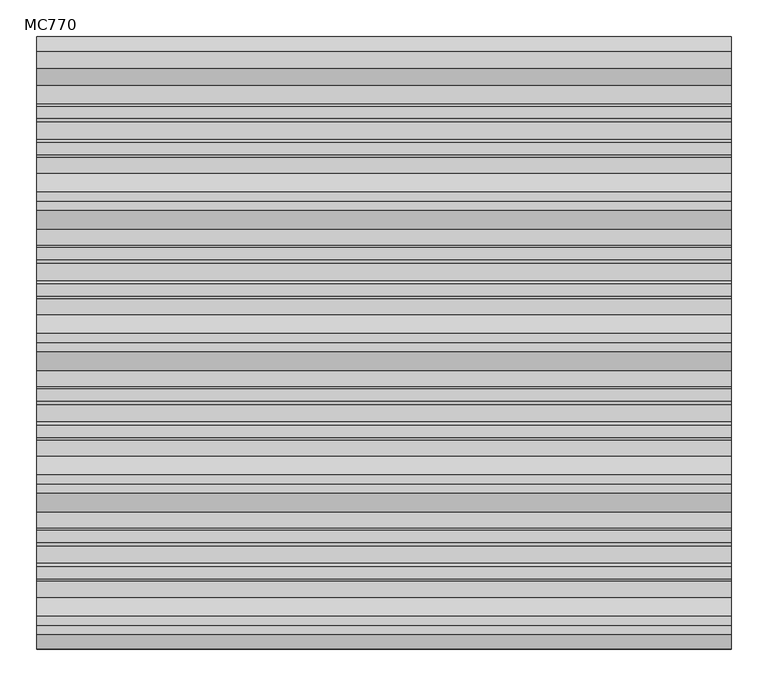
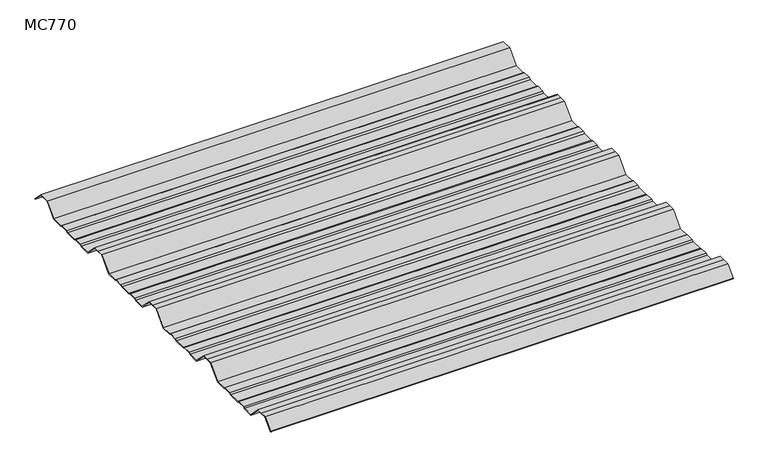
"""IFC4 building model written with IfcOpenShell, lengths in millimetres: beam geometry, MC770."""

import ifcopenshell
import ifcopenshell.guid

model = None  # the IFC model being written
_history = None  # IfcOwnerHistory: only IFC2X3 demands one
_inside = {}  # id of a spatial element -> (the spatial element, [elements in it])
_under = {}  # id of a project, library or spatial element -> (it, [spatial elements below it])
_declared = {}  # id of a project -> (the project, [libraries it declares])
_typed = {}  # id of a type object -> (the type object, [elements of that type])
_made_of = {}  # id of a material, layer set ... -> (it, [elements and type objects made of it])


def new_model(schema):
    """Start an empty IFC model of exactly this schema.

    Asked for "IFC4X3", IfcOpenShell would pick the latest addendum, in which some entities
    have other attributes; the version numbers below select the first issue.
    IFC2X3 requires an IfcOwnerHistory on every rooted entity: one is made here for all.
    """
    global model, _history
    if schema == "IFC4X3":
        model = ifcopenshell.file(schema_version=(4, 3, 0, 0))
    else:
        model = ifcopenshell.file(schema=schema)
    _inside.clear()
    _under.clear()
    _declared.clear()
    _typed.clear()
    _made_of.clear()
    _history = None
    if model.schema == "IFC2X3":
        org = make("IfcOrganization", Name="unknown")
        user = make(
            "IfcPersonAndOrganization",
            ThePerson=make("IfcPerson", FamilyName="unknown"),
            TheOrganization=org,
        )
        app = make(
            "IfcApplication",
            ApplicationDeveloper=org,
            Version="unknown",
            ApplicationFullName="unknown",
            ApplicationIdentifier="unknown",
        )
        _history = make(
            "IfcOwnerHistory",
            OwningUser=user,
            OwningApplication=app,
            ChangeAction="ADDED",
            CreationDate=0,
        )
    return model


def make(cls, **values):
    """One entity of the class cls with the attributes given. An attribute that is None is left unset."""
    return model.create_entity(
        cls, **{name: value for name, value in values.items() if value is not None}
    )


def rooted(cls, **values):
    """An entity with a GlobalId (a new one), such as an element, a storey or a relation."""
    return make(cls, GlobalId=ifcopenshell.guid.new(), OwnerHistory=_history, **values)


def si_unit(unit_type, name, prefix=None):
    """IfcSIUnit, for example si_unit("LENGTHUNIT", "METRE", prefix="MILLI")."""
    return make("IfcSIUnit", UnitType=unit_type, Prefix=prefix, Name=name)


def assignment(units):
    """IfcUnitAssignment: the units of a project."""
    return None if units is None else make("IfcUnitAssignment", Units=units)


def point(xyz):
    """IfcCartesianPoint."""
    return None if xyz is None else make("IfcCartesianPoint", Coordinates=xyz)


def direction(xyz):
    """IfcDirection."""
    return None if xyz is None else make("IfcDirection", DirectionRatios=xyz)


def frame(location, z_axis=None, x_axis=None):
    """IfcAxis2Placement3D, a coordinate frame: its origin and axes. An axis left out is left unset."""
    return make(
        "IfcAxis2Placement3D",
        Location=point(location),
        Axis=direction(z_axis),
        RefDirection=direction(x_axis),
    )


def frame_2d(location, x_axis=None):
    """IfcAxis2Placement2D, a coordinate frame in the plane: its origin and x axis."""
    return make(
        "IfcAxis2Placement2D", Location=point(location), RefDirection=direction(x_axis)
    )


def origin():
    """The frame at (0, 0, 0) with its axes left unset."""
    return frame((0.0, 0.0, 0.0))


def place(relative_to, where):
    """IfcLocalPlacement: puts the frame where relative to a parent placement (None: the world)."""
    return make(
        "IfcLocalPlacement", PlacementRelTo=relative_to, RelativePlacement=where
    )


def context(
    kind, dimensions, precision=None, world=None, true_north=None, identifier=None
):
    """IfcGeometricRepresentationContext, for example the 3D "Model" context."""
    return make(
        "IfcGeometricRepresentationContext",
        ContextIdentifier=identifier,
        ContextType=kind,
        CoordinateSpaceDimension=dimensions,
        Precision=precision,
        WorldCoordinateSystem=world,
        TrueNorth=true_north,
    )


def project(units=None, contexts=None):
    """IfcProject with its units and contexts."""
    return rooted(
        "IfcProject",
        Name="project",
        RepresentationContexts=contexts,
        UnitsInContext=assignment(units),
    )


def spatial(cls, under=None, at=None, **own):
    """A site, building, storey or space (cls), placed at a placement, below another one or the project."""
    s = rooted(cls, ObjectPlacement=at, **own)
    if under is not None:
        _under.setdefault(under.id(), (under, []))[1].append(s)
    return s


def polyline(points):
    """IfcPolyline through the points."""
    return make("IfcPolyline", Points=[point(p) for p in points])


def circle_curve(where, radius):
    """IfcCircle in the frame where."""
    return make("IfcCircle", Position=where, Radius=radius)


def trimmed(basis, trim1, trim2, sense, master):
    """IfcTrimmedCurve: the piece of a basis curve between two trims."""
    return make(
        "IfcTrimmedCurve",
        BasisCurve=basis,
        Trim1=trim1,
        Trim2=trim2,
        SenseAgreement=sense,
        MasterRepresentation=master,
    )


def segment(curve, same_sense, transition):
    """IfcCompositeCurveSegment."""
    return make(
        "IfcCompositeCurveSegment",
        Transition=transition,
        SameSense=same_sense,
        ParentCurve=curve,
    )


def composite_curve(segments, self_intersect=None):
    """IfcCompositeCurve: segments joined end to end."""
    return make("IfcCompositeCurve", Segments=segments, SelfIntersect=self_intersect)


def outline(outer, holes=None, kind="AREA"):
    """IfcArbitraryClosedProfileDef: a profile drawn as a closed curve; with holes, ...WithVoids."""
    if holes is None:
        return make("IfcArbitraryClosedProfileDef", ProfileType=kind, OuterCurve=outer)
    return make(
        "IfcArbitraryProfileDefWithVoids",
        ProfileType=kind,
        OuterCurve=outer,
        InnerCurves=holes,
    )


def extrude(swept, where, along, depth):
    """IfcExtrudedAreaSolid: the profile swept, set in the frame where, extruded along a direction by depth."""
    return make(
        "IfcExtrudedAreaSolid",
        SweptArea=swept,
        Position=where,
        ExtrudedDirection=direction(along),
        Depth=depth,
    )


def shape(context_of_items, identifier, shape_type, items):
    """IfcShapeRepresentation: the items that make up one representation, for example the "Body"."""
    return make(
        "IfcShapeRepresentation",
        ContextOfItems=context_of_items,
        RepresentationIdentifier=identifier,
        RepresentationType=shape_type,
        Items=items,
    )


def source(mapping_origin, context_of_items, identifier, shape_type, items):
    """IfcRepresentationMap: a shape defined once, which mapped items show again and again."""
    return make(
        "IfcRepresentationMap",
        MappingOrigin=mapping_origin,
        MappedRepresentation=shape(context_of_items, identifier, shape_type, items),
    )


def transform(
    local_origin,
    x_axis=None,
    y_axis=None,
    z_axis=None,
    scale=None,
    scale2=None,
    scale3=None,
    uniform=True,
):
    """IfcCartesianTransformationOperator3D, or its non-uniform kind. x_axis, y_axis, z_axis: its Axis1, 2, 3."""
    if uniform:
        return make(
            "IfcCartesianTransformationOperator3D",
            Axis1=direction(x_axis),
            Axis2=direction(y_axis),
            LocalOrigin=point(local_origin),
            Scale=scale,
            Axis3=direction(z_axis),
        )
    return make(
        "IfcCartesianTransformationOperator3DnonUniform",
        Axis1=direction(x_axis),
        Axis2=direction(y_axis),
        LocalOrigin=point(local_origin),
        Scale=scale,
        Axis3=direction(z_axis),
        Scale2=scale2,
        Scale3=scale3,
    )


def mapped(mapping_source, mapping_target):
    """IfcMappedItem: shows the shape of a source again, moved by a transform."""
    return make(
        "IfcMappedItem", MappingSource=mapping_source, MappingTarget=mapping_target
    )


def made_of(thing, what):
    """Note that an element or type object is made of a material, layer set ...; save() writes the relation."""
    if what is not None:
        _made_of.setdefault(what.id(), (what, []))[1].append(thing)
    return thing


def element(
    cls,
    number,
    at=None,
    inside=None,
    cuts=None,
    type_object=None,
    material=None,
    context=None,
    identifier="Body",
    shape_type=None,
    held_by="IfcProductDefinitionShape",
    body=None,
    shapes=None,
    **own,
):
    """One element of the class cls, such as IfcWall. Its Tag is "e" and its number.

    at: its placement. inside: the storey or other place that contains it. cuts: it is an
    opening in that element (IfcRelVoidsElement). A single representation is given by context,
    identifier, shape_type and body (its items); several are given by shapes. held_by: the class
    of the entity that holds the representations. save() writes the other relations.
    """
    e = rooted(cls, Tag="e%d" % number, ObjectPlacement=at, **own)
    if body is not None:
        shapes = [shape(context, identifier, shape_type, body)]
    if shapes is not None:
        e.Representation = make(held_by, Representations=shapes)
    if inside is not None:
        _inside.setdefault(inside.id(), (inside, []))[1].append(e)
    if cuts is not None:
        rooted(
            "IfcRelVoidsElement", RelatingBuildingElement=cuts, RelatedOpeningElement=e
        )
    if type_object is not None:
        _typed.setdefault(type_object.id(), (type_object, []))[1].append(e)
    return made_of(e, material)


def aggregate(whole, parts):
    """IfcRelAggregates: a whole, such as a stair, and the parts it consists of."""
    return rooted("IfcRelAggregates", RelatingObject=whole, RelatedObjects=parts)


def save(model, path):
    """Write the relations noted so far, then the file.

    IfcRelAggregates (storeys below a building ...), IfcRelContainedInSpatialStructure (elements
    in a storey), IfcRelDefinesByType, IfcRelAssociatesMaterial and IfcRelDeclares: one each for
    every whole, place, type object, material and project.
    """
    for whole, parts in _under.values():
        aggregate(whole, parts)
    for where, things in _inside.values():
        rooted(
            "IfcRelContainedInSpatialStructure",
            RelatedElements=things,
            RelatingStructure=where,
        )
    for kind, things in _typed.values():
        rooted("IfcRelDefinesByType", RelatedObjects=things, RelatingType=kind)
    for what, things in _made_of.values():
        rooted("IfcRelAssociatesMaterial", RelatedObjects=things, RelatingMaterial=what)
    for by, libraries in _declared.values():
        rooted("IfcRelDeclares", RelatingContext=by, RelatedDefinitions=libraries)
    model.write(path)


def mc770_d977724b(model_context):
    return source(origin(), model_context, "Body", "SweptSolid", [
        extrude(outline(composite_curve([segment(polyline([(-155.0000967, -25.7896475), (-180.574511, 0.2103525), (-192.5, 0.2103525), (-204.425489, 0.2103525), (-229.9999033, -25.7896475), (-252.6975582, -25.7896475), (-255.9126024, -23.7494212), (-272.3405937, -23.7494212), (-276.7209114, -25.7896475), (-300.7790886, -25.7896475), (-305.1594063, -23.7494212), (-321.5873976, -23.7494212), (-324.8024418, -25.7896475), (-347.5000967, -25.7896475), (-373.074511, 0.2103525), (-385.0, 0.2103525), (-396.925489, 0.2103525), (-422.4999033, -25.7896475), (-445.1975582, -25.7896475), (-448.4126024, -23.7494212), (-464.8405937, -23.7494212), (-469.2209114, -25.7896475), (-493.2790886, -25.7896475), (-497.6594063, -23.7494212), (-514.0873976, -23.7494212), (-517.3024418, -25.7896475), (-540.0000967, -25.7896475), (-565.574511, 0.2103525), (-577.5, 0.2103525), (-589.425489, 0.2103525), (-614.9999033, -25.7896475), (-637.6975582, -25.7896475), (-640.9126024, -23.7494212), (-657.3405937, -23.7494212), (-661.7209114, -25.7896475), (-685.7790886, -25.7896475), (-690.1594063, -23.7494212), (-706.5873976, -23.7494212), (-709.8024418, -25.7896475), (-732.5000967, -25.7896475), (-758.074511, 0.2103525), (-770.0, 0.2103525), (-781.925489, 0.2103525), (-801.261749, -19.4476836)]), True, "CONTINUOUS"), segment(trimmed(circle_curve(frame_2d((-801.651258, -19.0516927)), 0.5554513), [point((-801.261749, -19.4476836))], [point((-802.0472489, -18.6621836))], False, "CARTESIAN"), True, "CONTINUOUS"), segment(polyline([(-802.0472489, -18.6621836), (-782.5, 1.2103525), (-770.0, 1.2103525), (-757.5, 1.2103525), (-731.9255858, -24.7896475), (-710.0929563, -24.7896475), (-706.8779121, -22.7494212), (-689.9379428, -22.7494212), (-685.5576251, -24.7896475), (-661.9423749, -24.7896475), (-657.5620572, -22.7494212), (-640.6220879, -22.7494212), (-637.4070437, -24.7896475), (-615.5744142, -24.7896475), (-590.0, 1.2103525), (-577.5, 1.2103525), (-565.0, 1.2103525), (-539.4255858, -24.7896475), (-517.5929563, -24.7896475), (-514.3779121, -22.7494212), (-497.4379428, -22.7494212), (-493.0576251, -24.7896475), (-469.4423749, -24.7896475), (-465.0620572, -22.7494212), (-448.1220879, -22.7494212), (-444.9070437, -24.7896475), (-423.0744142, -24.7896475), (-397.5, 1.2103525), (-385.0, 1.2103525), (-372.5, 1.2103525), (-346.9255858, -24.7896475), (-325.0929563, -24.7896475), (-321.8779121, -22.7494212), (-304.9379428, -22.7494212), (-300.5576251, -24.7896475), (-276.9423749, -24.7896475), (-272.5620572, -22.7494212), (-255.6220879, -22.7494212), (-252.4070437, -24.7896475), (-230.5744142, -24.7896475), (-205.0, 1.2103525), (-192.5, 1.2103525), (-180.0, 1.2103525), (-154.4255858, -24.7896475), (-132.5929563, -24.7896475), (-129.3779121, -22.7494212), (-112.4379428, -22.7494212), (-108.0576251, -24.7896475), (-84.4423749, -24.7896475), (-80.0620572, -22.7494212), (-63.1220879, -22.7494212), (-59.9070437, -24.7896475), (-35.113585, -24.7896475), (-11.5064334, -0.7896475), (11.5064334, -0.7896475), (31.651812, -21.2702668)]), True, "CONTINUOUS"), segment(trimmed(circle_curve(frame_2d((31.295329, -21.6209146)), 0.500034), [point((31.651812, -21.2702668))], [point((30.9446811, -21.9773977))], False, "CARTESIAN"), True, "CONTINUOUS"), segment(polyline([(30.9446811, -21.9773977), (11.0873778, -1.7896475), (-11.0873778, -1.7896475), (-34.6945294, -25.7896475), (-60.1975582, -25.7896475), (-63.4126024, -23.7494212), (-79.8405937, -23.7494212), (-84.2209114, -25.7896475), (-108.2790886, -25.7896475), (-112.6594063, -23.7494212), (-129.0873976, -23.7494212), (-132.3024418, -25.7896475), (-155.0000967, -25.7896475)]), True, "CONTINUOUS")], self_intersect=False)), frame((-472.5002337, 0.0, 0.0), z_axis=(1.0, 0.0, 0.0), x_axis=(0.0, 1.0, 0.0)), (0.0, 0.0, 1.0), 945.0004675),
    ])


if __name__ == "__main__":
    model = new_model("IFC4")
    model_context = context("Model", 3, world=origin())
    ifc_project = project(units=[si_unit("LENGTHUNIT", "METRE", prefix="MILLI")], contexts=[model_context])
    site = spatial("IfcSite", under=ifc_project)
    building = spatial("IfcBuilding", under=site)
    placement = place(None, origin())
    mc770_shape = mc770_d977724b(model_context)
    element("IfcBeam", 1, ObjectType="MC770", at=placement, inside=building, context=model_context, shape_type="MappedRepresentation", body=[
        mapped(mc770_shape, transform((0.0, 0.0, 0.0), x_axis=(1.0, 0.0, 0.0), y_axis=(0.0, 1.0, 0.0), z_axis=(0.0, 0.0, 1.0))),
    ])
    save(model, "model.ifc")
